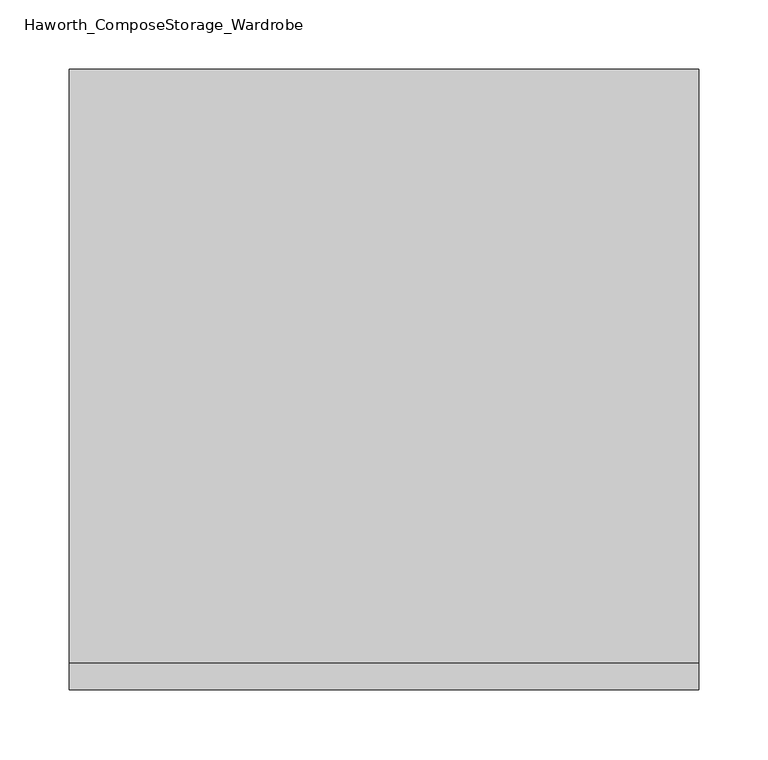
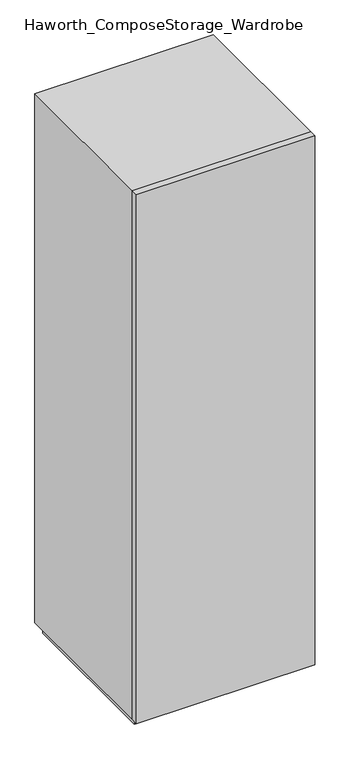
"""IFC4 building model written with IfcOpenShell, lengths in millimetres: furniture geometry, Haworth_ComposeStorage_Wardrobe."""

from ifc_helpers import new_model, si_unit, frame, origin, origin_with_axes, place, context, project, spatial, polyline, outline, extrude, faceted_brep, source, transform, mapped, element, save


def haworth_composestorage_wardrobe_fc7ce4e4(model_context):
    return source(origin(), model_context, "Body", "SolidModel", [
        extrude(outline(polyline([(227.0263906, -233.3625), (-226.9986094, -233.3625), (-226.9986094, -214.3125), (227.0263906, -214.3125), (227.0263906, -233.3625)])), frame((0.0, 0.0, 25.4), z_axis=(0.0, 0.0, 1.0), x_axis=(1.0, 0.0, 0.0)), (0.0, 0.0, 1.0), 1422.4),
        faceted_brep([(-226.9986094, -214.3125, 25.4), (227.0263906, -214.3125, 25.4), (227.0263906, -214.3125, 1447.8), (-226.9986094, -214.3125, 1447.8), (-207.9486094, -214.3125, 44.45), (-207.9486094, -214.3125, 1428.75), (207.9486094, -214.3125, 1428.75), (207.9486094, -214.3125, 44.45), (-226.9986094, 214.3125, 25.4), (-226.9986094, 214.3125, 1447.8), (227.0263906, 214.3125, 1447.8), (227.0263906, 214.3125, 25.4), (-207.9486094, 195.2625, 44.45), (-207.9486094, 195.2625, 1428.75), (207.9486094, 195.2625, 1428.75), (207.9486094, 195.2625, 44.45)], [[[0, 1, 2, 3], [4, 5, 6, 7]], [[8, 9, 10, 11]], [[1, 0, 8, 11]], [[2, 1, 11, 10]], [[3, 2, 10, 9]], [[0, 3, 9, 8]], [[5, 4, 12, 13]], [[6, 5, 13, 14]], [[7, 6, 14, 15]], [[4, 7, 15, 12]], [[13, 12, 15, 14]]]),
        extrude(outline(polyline([(214.3263906, -201.6125), (-214.2986094, -201.6125), (-214.2986094, 201.6125), (214.3263906, 201.6125), (214.3263906, -201.6125)])), origin_with_axes(), (0.0, 0.0, 1.0), 25.4),
    ])


if __name__ == "__main__":
    model = new_model("IFC4")
    model_context = context("Model", 3, world=origin())
    ifc_project = project(units=[si_unit("LENGTHUNIT", "METRE", prefix="MILLI")], contexts=[model_context])
    site = spatial("IfcSite", under=ifc_project)
    building = spatial("IfcBuilding", under=site)
    placement = place(None, origin())
    haworth_composestorage_wardrobe_shape = haworth_composestorage_wardrobe_fc7ce4e4(model_context)
    element("IfcFurniture", 1, ObjectType="Haworth_ComposeStorage_Wardrobe", at=placement, inside=building, context=model_context, shape_type="MappedRepresentation", body=[
        mapped(haworth_composestorage_wardrobe_shape, transform((0.0, 0.0, 0.0), x_axis=(1.0, 0.0, 0.0), y_axis=(0.0, 1.0, 0.0), z_axis=(0.0, 0.0, 1.0))),
    ])
    save(model, "model.ifc")
